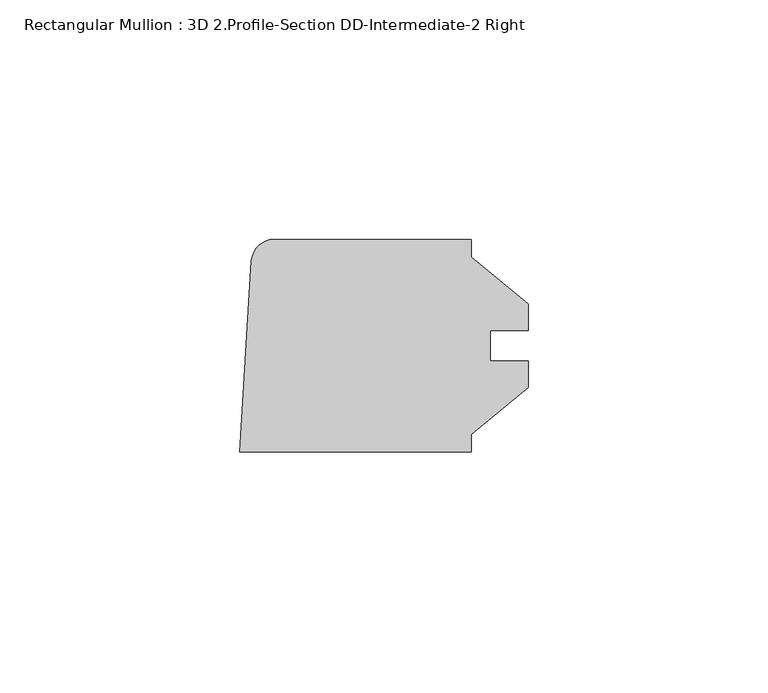
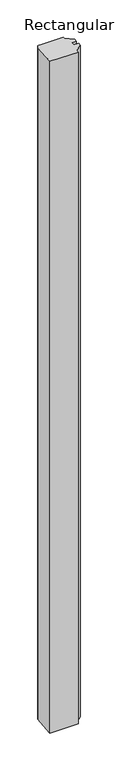
"""IFC4 building model written with IfcOpenShell, lengths in millimetres: member geometry, Rectangular Mullion : 3D 2.Profile-Section DD-Intermediate-2 Right."""

from ifc_helpers import new_model, si_unit, point, frame, frame_2d, origin, place, context, project, spatial, polyline, circle_curve, trimmed, segment, composite_curve, outline, extrude, source, transform, mapped, element, save


def rectangular_mullion_3d_2_profile_section_dd_intermediate_2_8042471a(model_context):
    return source(origin(), model_context, "Body", "SweptSolid", [
        extrude(outline(composite_curve([segment(polyline([(-16.1767364, -18.518836), (-16.1767364, -22.225), (-64.5891364, -22.225), (-62.0893561, 17.7714844)]), True, "CONTINUOUS"), segment(trimmed(circle_curve(frame_2d((-57.3488059, 17.4752)), 4.7498), [point((-62.0893561, 17.7714844))], [point((-57.3488059, 22.225))], False, "CARTESIAN"), True, "CONTINUOUS"), segment(polyline([(-57.3488059, 22.225), (-16.1767364, 22.225), (-16.1767364, 18.518836), (-4.2704864, 8.7503), (-4.2704864, 3.175), (-12.2143364, 3.175), (-12.2143364, -3.175), (-4.2704864, -3.175), (-4.2704864, -8.7503), (-16.1767364, -18.518836)]), True, "CONTINUOUS")], self_intersect=False)), frame((0.0, 0.0, -1219.2), z_axis=(0.0, 0.0, 1.0), x_axis=(1.0, 0.0, 0.0)), (0.0, 0.0, 1.0), 1219.2),
    ])


if __name__ == "__main__":
    model = new_model("IFC4")
    model_context = context("Model", 3, world=origin())
    ifc_project = project(units=[si_unit("LENGTHUNIT", "METRE", prefix="MILLI")], contexts=[model_context])
    site = spatial("IfcSite", under=ifc_project)
    building = spatial("IfcBuilding", under=site)
    placement = place(None, origin())
    rectangular_mullion_3d_2_profile_section_dd_intermediate_2_shape = rectangular_mullion_3d_2_profile_section_dd_intermediate_2_8042471a(model_context)
    element("IfcMember", 1, ObjectType="Rectangular Mullion : 3D 2.Profile-Section DD-Intermediate-2 Right", at=placement, inside=building, context=model_context, shape_type="MappedRepresentation", body=[
        mapped(rectangular_mullion_3d_2_profile_section_dd_intermediate_2_shape, transform((0.0, 0.0, 0.0), x_axis=(1.0, 0.0, 0.0), y_axis=(0.0, 1.0, 0.0), z_axis=(0.0, 0.0, 1.0))),
    ])
    save(model, "model.ifc")
